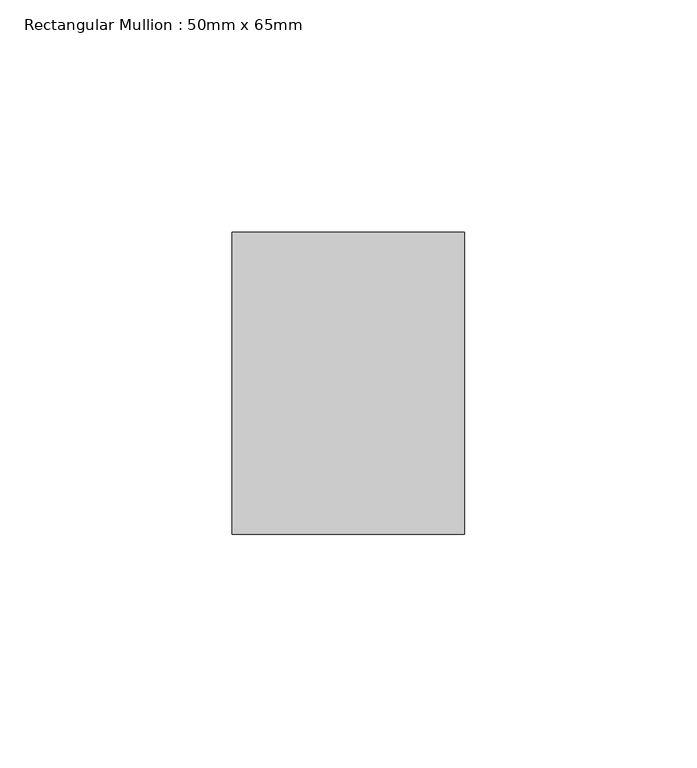
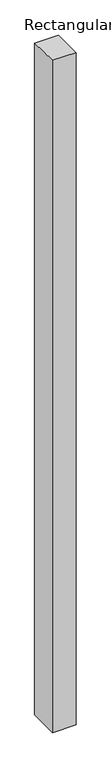
"""IFC4 building model written with IfcOpenShell, lengths in millimetres: member geometry, Rectangular Mullion : 50mm x 65mm."""

from ifc_helpers import new_model, si_unit, frame, origin, place, context, project, spatial, polyline, outline, extrude, source, transform, mapped, element, save


def rectangular_mullion_50mm_x_65mm_16db6fe2(model_context):
    return source(origin(), model_context, "Body", "SweptSolid", [
        extrude(outline(polyline([(-32.5, 0.3057246), (32.5, -0.3057247), (32.5, -1499.7976759), (-32.5, -1500.2031538), (-32.5, 0.3057246)])), frame((-25.0, 0.0, 0.0), z_axis=(1.0, 0.0, 0.0), x_axis=(0.0, 1.0, 0.0)), (0.0, 0.0, 1.0), 50.0),
    ])


if __name__ == "__main__":
    model = new_model("IFC4")
    model_context = context("Model", 3, world=origin())
    ifc_project = project(units=[si_unit("LENGTHUNIT", "METRE", prefix="MILLI")], contexts=[model_context])
    site = spatial("IfcSite", under=ifc_project)
    building = spatial("IfcBuilding", under=site)
    placement = place(None, origin())
    rectangular_mullion_50mm_x_65mm_shape = rectangular_mullion_50mm_x_65mm_16db6fe2(model_context)
    element("IfcMember", 1, ObjectType="Rectangular Mullion : 50mm x 65mm", at=placement, inside=building, context=model_context, shape_type="MappedRepresentation", body=[
        mapped(rectangular_mullion_50mm_x_65mm_shape, transform((0.0, 0.0, 0.0), x_axis=(1.0, 0.0, 0.0), y_axis=(0.0, 1.0, 0.0), z_axis=(0.0, 0.0, 1.0))),
    ])
    save(model, "model.ifc")
